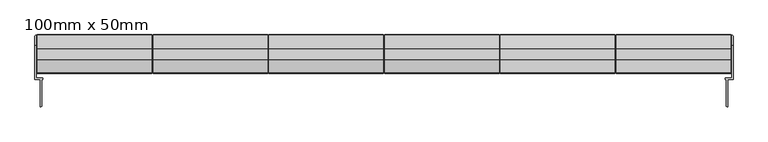
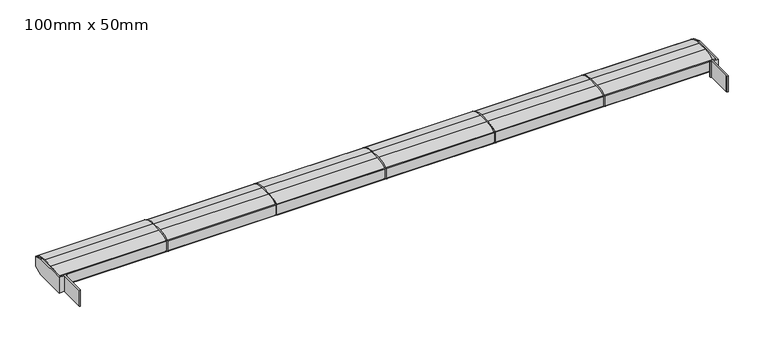
"""IFC4 building model written with IfcOpenShell, lengths in millimetres: plate geometry, 100mm x 50mm."""

from ifc_helpers import new_model, si_unit, point, frame, frame_2d, origin, place, context, project, spatial, polyline, circle_curve, trimmed, segment, composite_curve, outline, extrude, faceted_brep, source, transform, mapped, element, save


def plate_100mm_x_50mm_2089111f(model_context):
    return source(origin(), model_context, "Body", "SolidModel", [
        faceted_brep([(-896.0000001, 106.7422404, 20.7316945), (-896.0000001, 193.3258824, 20.7316945), (-892.0000001, 193.3258824, 20.7316945), (-892.0000001, 110.7422404, 20.7316945), (-875.5000001, 110.7422404, 20.7316945), (-875.5000001, 106.7422404, 20.7316945), (-878.5000001, 106.7422404, 20.7316945), (-878.5000001, 37.7422404, 20.7316945), (-880.5000001, 35.7422404, 20.7316945), (-882.5000001, 35.7422404, 20.7316945), (-882.5000001, 106.7422404, 20.7316945), (-892.0000001, 110.7422404, 65.7316945), (-892.0000001, 193.3258824, 65.7316945), (-896.0000001, 193.3258824, 65.7316945), (-896.0000001, 106.7422404, 65.7316945), (-882.5000001, 106.7422404, 65.7316945), (-882.5000001, 35.7422404, 65.7316945), (-880.5000001, 35.7422404, 65.7316945), (-878.5000001, 37.7422404, 65.7316945), (-878.5000001, 106.7422404, 65.7316945), (-875.5000001, 106.7422404, 65.7316945), (-875.5000001, 110.7422404, 65.7316945), (-896.0000001, 218.7422404, 56.9247114), (-896.0000001, 218.7422404, 29.5386776), (-892.0000001, 220.7422404, 30.2316945), (-892.0000001, 220.7422404, 56.2316945), (-894.0000001, 220.7422404, 30.2316945), (-894.0000001, 220.7422404, 56.2316945)], [[[0, 1, 2, 3, 4, 5, 6, 7, 8, 9, 10]], [[11, 12, 13, 14, 15, 16, 17, 18, 19, 20, 21]], [[14, 13, 22, 23, 1, 0]], [[10, 15, 14, 0]], [[9, 16, 15, 10]], [[8, 17, 16, 9]], [[7, 18, 17, 8]], [[6, 19, 18, 7]], [[5, 20, 19, 6]], [[4, 21, 20, 5]], [[3, 11, 21, 4]], [[3, 2, 24, 25, 12, 11]], [[24, 26, 27, 25]], [[22, 27, 26, 23]], [[12, 25, 27, 22, 13]], [[1, 23, 26, 24, 2]]]),
        faceted_brep([(896.0000001, 106.7422404, 20.7316945), (882.5000001, 106.7422404, 20.7316945), (882.5000001, 35.7422404, 20.7316945), (880.5000001, 35.7422404, 20.7316945), (878.5000001, 37.7422404, 20.7316945), (878.5000001, 106.7422404, 20.7316945), (875.5000001, 106.7422404, 20.7316945), (875.5000001, 110.7422404, 20.7316945), (892.0000001, 110.7422404, 20.7316945), (892.0000001, 193.3258824, 20.7316945), (896.0000001, 193.3258824, 20.7316945), (892.0000001, 110.7422404, 65.7316945), (875.5000001, 110.7422404, 65.7316945), (875.5000001, 106.7422404, 65.7316945), (878.5000001, 106.7422404, 65.7316945), (878.5000001, 37.7422404, 65.7316945), (880.5000001, 35.7422404, 65.7316945), (882.5000001, 35.7422404, 65.7316945), (882.5000001, 106.7422404, 65.7316945), (896.0000001, 106.7422404, 65.7316945), (896.0000001, 193.3258824, 65.7316945), (892.0000001, 193.3258824, 65.7316945), (896.0000001, 218.7422404, 29.5386776), (896.0000001, 218.7422404, 56.9247114), (892.0000001, 220.7422404, 56.2316945), (892.0000001, 220.7422404, 30.2316945), (894.0000001, 220.7422404, 56.2316945), (894.0000001, 220.7422404, 30.2316945)], [[[0, 1, 2, 3, 4, 5, 6, 7, 8, 9, 10]], [[11, 12, 13, 14, 15, 16, 17, 18, 19, 20, 21]], [[19, 0, 10, 22, 23, 20]], [[1, 0, 19, 18]], [[2, 1, 18, 17]], [[3, 2, 17, 16]], [[4, 3, 16, 15]], [[5, 4, 15, 14]], [[6, 5, 14, 13]], [[7, 6, 13, 12]], [[8, 7, 12, 11]], [[8, 11, 21, 24, 25, 9]], [[25, 24, 26, 27]], [[23, 22, 27, 26]], [[21, 20, 23, 26, 24]], [[10, 9, 25, 27, 22]]]),
        extrude(outline(composite_curve([segment(trimmed(circle_curve(frame_2d((186.7, -1.4683055)), 67.5), [point((186.7, 66.0316945))], [point((220.7076336, 56.8389055))], False, "CARTESIAN"), True, "CONTINUOUS"), segment(trimmed(circle_curve(frame_2d((219.7, 55.1112845)), 2.0), [point((220.7076336, 56.8389055))], [point((221.7, 55.1112845))], False, "CARTESIAN"), True, "CONTINUOUS"), segment(polyline([(221.7, 55.1112845), (221.7, 26.9521046)]), True, "CONTINUOUS"), segment(trimmed(circle_curve(frame_2d((219.7, 26.9521046)), 2.0), [point((221.7, 26.9521046))], [point((220.7076336, 25.2244835))], False, "CARTESIAN"), True, "CONTINUOUS"), segment(trimmed(circle_curve(frame_2d((186.7, 83.5316945)), 67.5), [point((220.7076336, 25.2244835))], [point((186.7, 16.0316945))], False, "CARTESIAN"), True, "CONTINUOUS"), segment(polyline([(186.7, 16.0316945), (156.7, 16.0316945)]), True, "CONTINUOUS"), segment(trimmed(circle_curve(frame_2d((156.7, 83.5316945)), 67.5), [point((156.7, 16.0316945))], [point((122.6923664, 25.2244835))], False, "CARTESIAN"), True, "CONTINUOUS"), segment(trimmed(circle_curve(frame_2d((123.7, 26.9521046)), 2.0), [point((122.6923664, 25.2244835))], [point((121.7, 26.9521046))], False, "CARTESIAN"), True, "CONTINUOUS"), segment(polyline([(121.7, 26.9521046), (121.7, 55.1112845)]), True, "CONTINUOUS"), segment(trimmed(circle_curve(frame_2d((123.7, 55.1112845)), 2.0), [point((121.7, 55.1112845))], [point((122.6923664, 56.8389055))], False, "CARTESIAN"), True, "CONTINUOUS"), segment(trimmed(circle_curve(frame_2d((156.7, -1.4683055)), 67.5), [point((122.6923664, 56.8389055))], [point((156.7, 66.0316945))], False, "CARTESIAN"), True, "CONTINUOUS"), segment(polyline([(156.7, 66.0316945), (186.7, 66.0316945)]), True, "CONTINUOUS")], self_intersect=False), holes=[composite_curve([segment(polyline([(146.7, 26.8836478), (146.7, 55.1797412)]), True, "CONTINUOUS"), segment(trimmed(circle_curve(frame_2d((171.7, -52.9683055)), 111.0), [point((146.7, 55.1797412))], [point((130.7, 50.1820702))], True, "CARTESIAN"), True, "CONTINUOUS"), segment(polyline([(130.7, 50.1820702), (130.7, 31.8813188)]), True, "CONTINUOUS"), segment(trimmed(circle_curve(frame_2d((171.7, 135.0316945)), 111.0), [point((130.7, 31.8813188))], [point((146.7, 26.8836478))], True, "CARTESIAN"), True, "CONTINUOUS")], self_intersect=False), polyline([(186.7, 26.0316945), (186.7, 56.0316945), (156.7, 56.0316945), (156.7, 26.0316945), (186.7, 26.0316945)]), composite_curve([segment(trimmed(circle_curve(frame_2d((171.7, 135.0316945)), 111.0), [point((196.7, 26.8836478))], [point((212.7, 31.8813188))], True, "CARTESIAN"), True, "CONTINUOUS"), segment(polyline([(212.7, 31.8813188), (212.7, 50.1820702)]), True, "CONTINUOUS"), segment(trimmed(circle_curve(frame_2d((171.7, -52.9683055)), 111.0), [point((212.7, 50.1820702))], [point((196.7, 55.1797412))], True, "CARTESIAN"), True, "CONTINUOUS"), segment(polyline([(196.7, 55.1797412), (196.7, 26.8836478)]), True, "CONTINUOUS")], self_intersect=False)]), frame((1.6, 0.0, 0.0), z_axis=(1.0, 0.0, 0.0), x_axis=(0.0, 1.0, 0.0)), (0.0, 0.0, 1.0), 294.0),
        extrude(outline(composite_curve([segment(trimmed(circle_curve(frame_2d((186.7, -1.4683055)), 67.5), [point((186.7, 66.0316945))], [point((220.7076336, 56.8389055))], False, "CARTESIAN"), True, "CONTINUOUS"), segment(trimmed(circle_curve(frame_2d((219.7, 55.1112845)), 2.0), [point((220.7076336, 56.8389055))], [point((221.7, 55.1112845))], False, "CARTESIAN"), True, "CONTINUOUS"), segment(polyline([(221.7, 55.1112845), (221.7, 26.9521046)]), True, "CONTINUOUS"), segment(trimmed(circle_curve(frame_2d((219.7, 26.9521046)), 2.0), [point((221.7, 26.9521046))], [point((220.7076336, 25.2244835))], False, "CARTESIAN"), True, "CONTINUOUS"), segment(trimmed(circle_curve(frame_2d((186.7, 83.5316945)), 67.5), [point((220.7076336, 25.2244835))], [point((186.7, 16.0316945))], False, "CARTESIAN"), True, "CONTINUOUS"), segment(polyline([(186.7, 16.0316945), (156.7, 16.0316945)]), True, "CONTINUOUS"), segment(trimmed(circle_curve(frame_2d((156.7, 83.5316945)), 67.5), [point((156.7, 16.0316945))], [point((122.6923664, 25.2244835))], False, "CARTESIAN"), True, "CONTINUOUS"), segment(trimmed(circle_curve(frame_2d((123.7, 26.9521046)), 2.0), [point((122.6923664, 25.2244835))], [point((121.7, 26.9521046))], False, "CARTESIAN"), True, "CONTINUOUS"), segment(polyline([(121.7, 26.9521046), (121.7, 55.1112845)]), True, "CONTINUOUS"), segment(trimmed(circle_curve(frame_2d((123.7, 55.1112845)), 2.0), [point((121.7, 55.1112845))], [point((122.6923664, 56.8389055))], False, "CARTESIAN"), True, "CONTINUOUS"), segment(trimmed(circle_curve(frame_2d((156.7, -1.4683055)), 67.5), [point((122.6923664, 56.8389055))], [point((156.7, 66.0316945))], False, "CARTESIAN"), True, "CONTINUOUS"), segment(polyline([(156.7, 66.0316945), (186.7, 66.0316945)]), True, "CONTINUOUS")], self_intersect=False), holes=[composite_curve([segment(polyline([(146.7, 26.8836478), (146.7, 55.1797412)]), True, "CONTINUOUS"), segment(trimmed(circle_curve(frame_2d((171.7, -52.9683055)), 111.0), [point((146.7, 55.1797412))], [point((130.7, 50.1820702))], True, "CARTESIAN"), True, "CONTINUOUS"), segment(polyline([(130.7, 50.1820702), (130.7, 31.8813188)]), True, "CONTINUOUS"), segment(trimmed(circle_curve(frame_2d((171.7, 135.0316945)), 111.0), [point((130.7, 31.8813188))], [point((146.7, 26.8836478))], True, "CARTESIAN"), True, "CONTINUOUS")], self_intersect=False), polyline([(186.7, 26.0316945), (186.7, 56.0316945), (156.7, 56.0316945), (156.7, 26.0316945), (186.7, 26.0316945)]), composite_curve([segment(trimmed(circle_curve(frame_2d((171.7, 135.0316945)), 111.0), [point((196.7, 26.8836478))], [point((212.7, 31.8813188))], True, "CARTESIAN"), True, "CONTINUOUS"), segment(polyline([(212.7, 31.8813188), (212.7, 50.1820702)]), True, "CONTINUOUS"), segment(trimmed(circle_curve(frame_2d((171.7, -52.9683055)), 111.0), [point((212.7, 50.1820702))], [point((196.7, 55.1797412))], True, "CARTESIAN"), True, "CONTINUOUS"), segment(polyline([(196.7, 55.1797412), (196.7, 26.8836478)]), True, "CONTINUOUS")], self_intersect=False)]), frame((-295.6, 0.0, 0.0), z_axis=(1.0, 0.0, 0.0), x_axis=(0.0, 1.0, 0.0)), (0.0, 0.0, 1.0), 294.0),
        extrude(outline(composite_curve([segment(trimmed(circle_curve(frame_2d((186.7, -1.4683055)), 67.5), [point((186.7, 66.0316945))], [point((220.7076336, 56.8389055))], False, "CARTESIAN"), True, "CONTINUOUS"), segment(trimmed(circle_curve(frame_2d((219.7, 55.1112845)), 2.0), [point((220.7076336, 56.8389055))], [point((221.7, 55.1112845))], False, "CARTESIAN"), True, "CONTINUOUS"), segment(polyline([(221.7, 55.1112845), (221.7, 26.9521046)]), True, "CONTINUOUS"), segment(trimmed(circle_curve(frame_2d((219.7, 26.9521046)), 2.0), [point((221.7, 26.9521046))], [point((220.7076336, 25.2244835))], False, "CARTESIAN"), True, "CONTINUOUS"), segment(trimmed(circle_curve(frame_2d((186.7, 83.5316945)), 67.5), [point((220.7076336, 25.2244835))], [point((186.7, 16.0316945))], False, "CARTESIAN"), True, "CONTINUOUS"), segment(polyline([(186.7, 16.0316945), (156.7, 16.0316945)]), True, "CONTINUOUS"), segment(trimmed(circle_curve(frame_2d((156.7, 83.5316945)), 67.5), [point((156.7, 16.0316945))], [point((122.6923664, 25.2244835))], False, "CARTESIAN"), True, "CONTINUOUS"), segment(trimmed(circle_curve(frame_2d((123.7, 26.9521046)), 2.0), [point((122.6923664, 25.2244835))], [point((121.7, 26.9521046))], False, "CARTESIAN"), True, "CONTINUOUS"), segment(polyline([(121.7, 26.9521046), (121.7, 55.1112845)]), True, "CONTINUOUS"), segment(trimmed(circle_curve(frame_2d((123.7, 55.1112845)), 2.0), [point((121.7, 55.1112845))], [point((122.6923664, 56.8389055))], False, "CARTESIAN"), True, "CONTINUOUS"), segment(trimmed(circle_curve(frame_2d((156.7, -1.4683055)), 67.5), [point((122.6923664, 56.8389055))], [point((156.7, 66.0316945))], False, "CARTESIAN"), True, "CONTINUOUS"), segment(polyline([(156.7, 66.0316945), (186.7, 66.0316945)]), True, "CONTINUOUS")], self_intersect=False), holes=[composite_curve([segment(polyline([(146.7, 26.8836478), (146.7, 55.1797412)]), True, "CONTINUOUS"), segment(trimmed(circle_curve(frame_2d((171.7, -52.9683055)), 111.0), [point((146.7, 55.1797412))], [point((130.7, 50.1820702))], True, "CARTESIAN"), True, "CONTINUOUS"), segment(polyline([(130.7, 50.1820702), (130.7, 31.8813188)]), True, "CONTINUOUS"), segment(trimmed(circle_curve(frame_2d((171.7, 135.0316945)), 111.0), [point((130.7, 31.8813188))], [point((146.7, 26.8836478))], True, "CARTESIAN"), True, "CONTINUOUS")], self_intersect=False), polyline([(186.7, 26.0316945), (186.7, 56.0316945), (156.7, 56.0316945), (156.7, 26.0316945), (186.7, 26.0316945)]), composite_curve([segment(trimmed(circle_curve(frame_2d((171.7, 135.0316945)), 111.0), [point((196.7, 26.8836478))], [point((212.7, 31.8813188))], True, "CARTESIAN"), True, "CONTINUOUS"), segment(polyline([(212.7, 31.8813188), (212.7, 50.1820702)]), True, "CONTINUOUS"), segment(trimmed(circle_curve(frame_2d((171.7, -52.9683055)), 111.0), [point((212.7, 50.1820702))], [point((196.7, 55.1797412))], True, "CARTESIAN"), True, "CONTINUOUS"), segment(polyline([(196.7, 55.1797412), (196.7, 26.8836478)]), True, "CONTINUOUS")], self_intersect=False)]), frame((596.0, 0.0, 0.0), z_axis=(1.0, 0.0, 0.0), x_axis=(0.0, 1.0, 0.0)), (0.0, 0.0, 1.0), 294.0),
        extrude(outline(composite_curve([segment(trimmed(circle_curve(frame_2d((186.7, -1.4683055)), 67.5), [point((186.7, 66.0316945))], [point((220.7076336, 56.8389055))], False, "CARTESIAN"), True, "CONTINUOUS"), segment(trimmed(circle_curve(frame_2d((219.7, 55.1112845)), 2.0), [point((220.7076336, 56.8389055))], [point((221.7, 55.1112845))], False, "CARTESIAN"), True, "CONTINUOUS"), segment(polyline([(221.7, 55.1112845), (221.7, 26.9521046)]), True, "CONTINUOUS"), segment(trimmed(circle_curve(frame_2d((219.7, 26.9521046)), 2.0), [point((221.7, 26.9521046))], [point((220.7076336, 25.2244835))], False, "CARTESIAN"), True, "CONTINUOUS"), segment(trimmed(circle_curve(frame_2d((186.7, 83.5316945)), 67.5), [point((220.7076336, 25.2244835))], [point((186.7, 16.0316945))], False, "CARTESIAN"), True, "CONTINUOUS"), segment(polyline([(186.7, 16.0316945), (156.7, 16.0316945)]), True, "CONTINUOUS"), segment(trimmed(circle_curve(frame_2d((156.7, 83.5316945)), 67.5), [point((156.7, 16.0316945))], [point((122.6923664, 25.2244835))], False, "CARTESIAN"), True, "CONTINUOUS"), segment(trimmed(circle_curve(frame_2d((123.7, 26.9521046)), 2.0), [point((122.6923664, 25.2244835))], [point((121.7, 26.9521046))], False, "CARTESIAN"), True, "CONTINUOUS"), segment(polyline([(121.7, 26.9521046), (121.7, 55.1112845)]), True, "CONTINUOUS"), segment(trimmed(circle_curve(frame_2d((123.7, 55.1112845)), 2.0), [point((121.7, 55.1112845))], [point((122.6923664, 56.8389055))], False, "CARTESIAN"), True, "CONTINUOUS"), segment(trimmed(circle_curve(frame_2d((156.7, -1.4683055)), 67.5), [point((122.6923664, 56.8389055))], [point((156.7, 66.0316945))], False, "CARTESIAN"), True, "CONTINUOUS"), segment(polyline([(156.7, 66.0316945), (186.7, 66.0316945)]), True, "CONTINUOUS")], self_intersect=False), holes=[composite_curve([segment(polyline([(146.7, 26.8836478), (146.7, 55.1797412)]), True, "CONTINUOUS"), segment(trimmed(circle_curve(frame_2d((171.7, -52.9683055)), 111.0), [point((146.7, 55.1797412))], [point((130.7, 50.1820702))], True, "CARTESIAN"), True, "CONTINUOUS"), segment(polyline([(130.7, 50.1820702), (130.7, 31.8813188)]), True, "CONTINUOUS"), segment(trimmed(circle_curve(frame_2d((171.7, 135.0316945)), 111.0), [point((130.7, 31.8813188))], [point((146.7, 26.8836478))], True, "CARTESIAN"), True, "CONTINUOUS")], self_intersect=False), polyline([(186.7, 26.0316945), (186.7, 56.0316945), (156.7, 56.0316945), (156.7, 26.0316945), (186.7, 26.0316945)]), composite_curve([segment(trimmed(circle_curve(frame_2d((171.7, 135.0316945)), 111.0), [point((196.7, 26.8836478))], [point((212.7, 31.8813188))], True, "CARTESIAN"), True, "CONTINUOUS"), segment(polyline([(212.7, 31.8813188), (212.7, 50.1820702)]), True, "CONTINUOUS"), segment(trimmed(circle_curve(frame_2d((171.7, -52.9683055)), 111.0), [point((212.7, 50.1820702))], [point((196.7, 55.1797412))], True, "CARTESIAN"), True, "CONTINUOUS"), segment(polyline([(196.7, 55.1797412), (196.7, 26.8836478)]), True, "CONTINUOUS")], self_intersect=False)]), frame((298.8, 0.0, 0.0), z_axis=(1.0, 0.0, 0.0), x_axis=(0.0, 1.0, 0.0)), (0.0, 0.0, 1.0), 294.0),
        extrude(outline(composite_curve([segment(trimmed(circle_curve(frame_2d((186.7, -1.4683055)), 67.5), [point((186.7, 66.0316945))], [point((220.7076336, 56.8389055))], False, "CARTESIAN"), True, "CONTINUOUS"), segment(trimmed(circle_curve(frame_2d((219.7, 55.1112845)), 2.0), [point((220.7076336, 56.8389055))], [point((221.7, 55.1112845))], False, "CARTESIAN"), True, "CONTINUOUS"), segment(polyline([(221.7, 55.1112845), (221.7, 26.9521046)]), True, "CONTINUOUS"), segment(trimmed(circle_curve(frame_2d((219.7, 26.9521046)), 2.0), [point((221.7, 26.9521046))], [point((220.7076336, 25.2244835))], False, "CARTESIAN"), True, "CONTINUOUS"), segment(trimmed(circle_curve(frame_2d((186.7, 83.5316945)), 67.5), [point((220.7076336, 25.2244835))], [point((186.7, 16.0316945))], False, "CARTESIAN"), True, "CONTINUOUS"), segment(polyline([(186.7, 16.0316945), (156.7, 16.0316945)]), True, "CONTINUOUS"), segment(trimmed(circle_curve(frame_2d((156.7, 83.5316945)), 67.5), [point((156.7, 16.0316945))], [point((122.6923664, 25.2244835))], False, "CARTESIAN"), True, "CONTINUOUS"), segment(trimmed(circle_curve(frame_2d((123.7, 26.9521046)), 2.0), [point((122.6923664, 25.2244835))], [point((121.7, 26.9521046))], False, "CARTESIAN"), True, "CONTINUOUS"), segment(polyline([(121.7, 26.9521046), (121.7, 55.1112845)]), True, "CONTINUOUS"), segment(trimmed(circle_curve(frame_2d((123.7, 55.1112845)), 2.0), [point((121.7, 55.1112845))], [point((122.6923664, 56.8389055))], False, "CARTESIAN"), True, "CONTINUOUS"), segment(trimmed(circle_curve(frame_2d((156.7, -1.4683055)), 67.5), [point((122.6923664, 56.8389055))], [point((156.7, 66.0316945))], False, "CARTESIAN"), True, "CONTINUOUS"), segment(polyline([(156.7, 66.0316945), (186.7, 66.0316945)]), True, "CONTINUOUS")], self_intersect=False), holes=[composite_curve([segment(polyline([(146.7, 26.8836478), (146.7, 55.1797412)]), True, "CONTINUOUS"), segment(trimmed(circle_curve(frame_2d((171.7, -52.9683055)), 111.0), [point((146.7, 55.1797412))], [point((130.7, 50.1820702))], True, "CARTESIAN"), True, "CONTINUOUS"), segment(polyline([(130.7, 50.1820702), (130.7, 31.8813188)]), True, "CONTINUOUS"), segment(trimmed(circle_curve(frame_2d((171.7, 135.0316945)), 111.0), [point((130.7, 31.8813188))], [point((146.7, 26.8836478))], True, "CARTESIAN"), True, "CONTINUOUS")], self_intersect=False), polyline([(186.7, 26.0316945), (186.7, 56.0316945), (156.7, 56.0316945), (156.7, 26.0316945), (186.7, 26.0316945)]), composite_curve([segment(trimmed(circle_curve(frame_2d((171.7, 135.0316945)), 111.0), [point((196.7, 26.8836478))], [point((212.7, 31.8813188))], True, "CARTESIAN"), True, "CONTINUOUS"), segment(polyline([(212.7, 31.8813188), (212.7, 50.1820702)]), True, "CONTINUOUS"), segment(trimmed(circle_curve(frame_2d((171.7, -52.9683055)), 111.0), [point((212.7, 50.1820702))], [point((196.7, 55.1797412))], True, "CARTESIAN"), True, "CONTINUOUS"), segment(polyline([(196.7, 55.1797412), (196.7, 26.8836478)]), True, "CONTINUOUS")], self_intersect=False)]), frame((-592.8, 0.0, 0.0), z_axis=(1.0, 0.0, 0.0), x_axis=(0.0, 1.0, 0.0)), (0.0, 0.0, 1.0), 294.0),
        extrude(outline(composite_curve([segment(trimmed(circle_curve(frame_2d((186.7, -1.4683055)), 67.5), [point((186.7, 66.0316945))], [point((220.7076336, 56.8389055))], False, "CARTESIAN"), True, "CONTINUOUS"), segment(trimmed(circle_curve(frame_2d((219.7, 55.1112845)), 2.0), [point((220.7076336, 56.8389055))], [point((221.7, 55.1112845))], False, "CARTESIAN"), True, "CONTINUOUS"), segment(polyline([(221.7, 55.1112845), (221.7, 26.9521046)]), True, "CONTINUOUS"), segment(trimmed(circle_curve(frame_2d((219.7, 26.9521046)), 2.0), [point((221.7, 26.9521046))], [point((220.7076336, 25.2244835))], False, "CARTESIAN"), True, "CONTINUOUS"), segment(trimmed(circle_curve(frame_2d((186.7, 83.5316945)), 67.5), [point((220.7076336, 25.2244835))], [point((186.7, 16.0316945))], False, "CARTESIAN"), True, "CONTINUOUS"), segment(polyline([(186.7, 16.0316945), (156.7, 16.0316945)]), True, "CONTINUOUS"), segment(trimmed(circle_curve(frame_2d((156.7, 83.5316945)), 67.5), [point((156.7, 16.0316945))], [point((122.6923664, 25.2244835))], False, "CARTESIAN"), True, "CONTINUOUS"), segment(trimmed(circle_curve(frame_2d((123.7, 26.9521046)), 2.0), [point((122.6923664, 25.2244835))], [point((121.7, 26.9521046))], False, "CARTESIAN"), True, "CONTINUOUS"), segment(polyline([(121.7, 26.9521046), (121.7, 55.1112845)]), True, "CONTINUOUS"), segment(trimmed(circle_curve(frame_2d((123.7, 55.1112845)), 2.0), [point((121.7, 55.1112845))], [point((122.6923664, 56.8389055))], False, "CARTESIAN"), True, "CONTINUOUS"), segment(trimmed(circle_curve(frame_2d((156.7, -1.4683055)), 67.5), [point((122.6923664, 56.8389055))], [point((156.7, 66.0316945))], False, "CARTESIAN"), True, "CONTINUOUS"), segment(polyline([(156.7, 66.0316945), (186.7, 66.0316945)]), True, "CONTINUOUS")], self_intersect=False), holes=[composite_curve([segment(polyline([(146.7, 26.8836478), (146.7, 55.1797412)]), True, "CONTINUOUS"), segment(trimmed(circle_curve(frame_2d((171.7, -52.9683055)), 111.0), [point((146.7, 55.1797412))], [point((130.7, 50.1820702))], True, "CARTESIAN"), True, "CONTINUOUS"), segment(polyline([(130.7, 50.1820702), (130.7, 31.8813188)]), True, "CONTINUOUS"), segment(trimmed(circle_curve(frame_2d((171.7, 135.0316945)), 111.0), [point((130.7, 31.8813188))], [point((146.7, 26.8836478))], True, "CARTESIAN"), True, "CONTINUOUS")], self_intersect=False), polyline([(186.7, 26.0316945), (186.7, 56.0316945), (156.7, 56.0316945), (156.7, 26.0316945), (186.7, 26.0316945)]), composite_curve([segment(trimmed(circle_curve(frame_2d((171.7, 135.0316945)), 111.0), [point((196.7, 26.8836478))], [point((212.7, 31.8813188))], True, "CARTESIAN"), True, "CONTINUOUS"), segment(polyline([(212.7, 31.8813188), (212.7, 50.1820702)]), True, "CONTINUOUS"), segment(trimmed(circle_curve(frame_2d((171.7, -52.9683055)), 111.0), [point((212.7, 50.1820702))], [point((196.7, 55.1797412))], True, "CARTESIAN"), True, "CONTINUOUS"), segment(polyline([(196.7, 55.1797412), (196.7, 26.8836478)]), True, "CONTINUOUS")], self_intersect=False)]), frame((-890.0, 0.0, 0.0), z_axis=(1.0, 0.0, 0.0), x_axis=(0.0, 1.0, 0.0)), (0.0, 0.0, 1.0), 294.0),
    ])


if __name__ == "__main__":
    model = new_model("IFC4")
    model_context = context("Model", 3, world=origin())
    ifc_project = project(units=[si_unit("LENGTHUNIT", "METRE", prefix="MILLI")], contexts=[model_context])
    site = spatial("IfcSite", under=ifc_project)
    building = spatial("IfcBuilding", under=site)
    placement = place(None, origin())
    plate_100mm_x_50mm_shape = plate_100mm_x_50mm_2089111f(model_context)
    element("IfcPlate", 1, ObjectType="100mm x 50mm", at=placement, inside=building, context=model_context, shape_type="MappedRepresentation", body=[
        mapped(plate_100mm_x_50mm_shape, transform((0.0, 0.0, 0.0), x_axis=(1.0, 0.0, 0.0), y_axis=(0.0, 1.0, 0.0), z_axis=(0.0, 0.0, 1.0))),
    ])
    save(model, "model.ifc")
